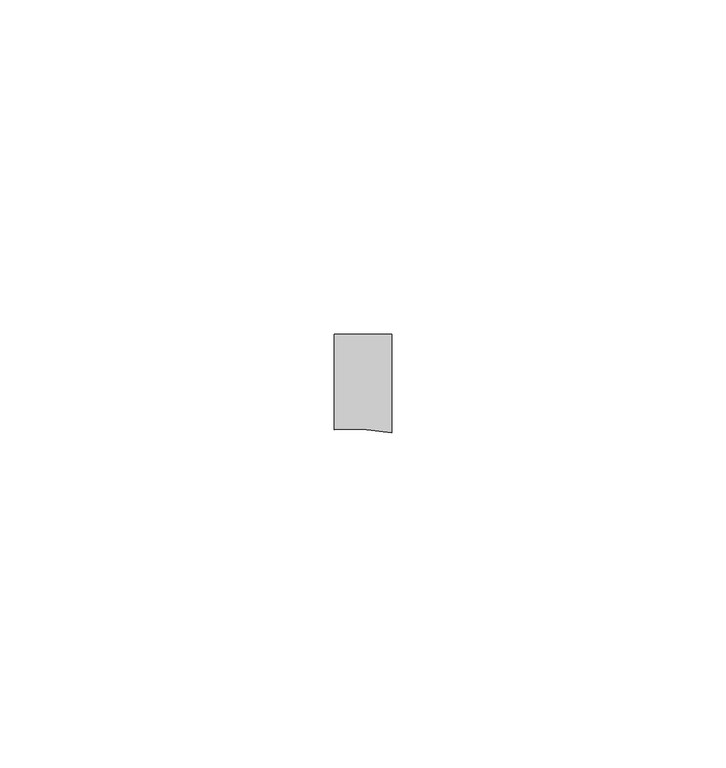
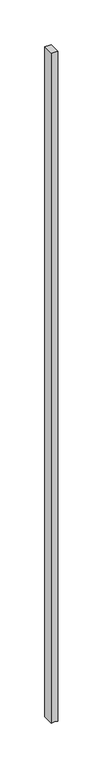
"""IFC4 building model written with IfcOpenShell, lengths in millimetres: proxy geometry."""

from ifc_helpers import new_model, si_unit, point, frame, frame_2d, origin, place, context, project, spatial, polyline, circle_curve, trimmed, segment, composite_curve, outline, extrude, source, transform, mapped, element, save


def generic_models_23953a7d(model_context):
    return source(origin(), model_context, "Body", "SweptSolid", [
        extrude(outline(composite_curve([segment(polyline([(37221.1214168, -22021.4599341), (37229.7035688, -22021.4599341), (37229.7035688, -22036.1948443)]), True, "CONTINUOUS"), segment(trimmed(circle_curve(frame_2d((37223.5308891, -22071.0222256)), 35.3701634), [point((37229.7035688, -22036.1948443))], [point((37221.1214168, -22035.7342261))], True, "CARTESIAN"), True, "CONTINUOUS"), segment(polyline([(37221.1214168, -22035.7342261), (37221.1214168, -22021.4599341)]), True, "CONTINUOUS")], self_intersect=False)), frame((0.0, 0.0, 1524.0), z_axis=(0.0, 0.0, 1.0), x_axis=(1.0, 0.0, 0.0)), (0.0, 0.0, 1.0), 914.4),
    ])


if __name__ == "__main__":
    model = new_model("IFC4")
    model_context = context("Model", 3, world=origin())
    ifc_project = project(units=[si_unit("LENGTHUNIT", "METRE", prefix="MILLI")], contexts=[model_context])
    site = spatial("IfcSite", under=ifc_project)
    building = spatial("IfcBuilding", under=site)
    placement = place(None, origin())
    generic_models_shape = generic_models_23953a7d(model_context)
    element("IfcBuildingElementProxy", 1, Name="Generic Models", at=placement, inside=building, context=model_context, shape_type="MappedRepresentation", body=[
        mapped(generic_models_shape, transform((0.0, 0.0, 0.0), x_axis=(1.0, 0.0, 0.0), y_axis=(0.0, 1.0, 0.0), z_axis=(0.0, 0.0, 1.0))),
    ])
    save(model, "model.ifc")
